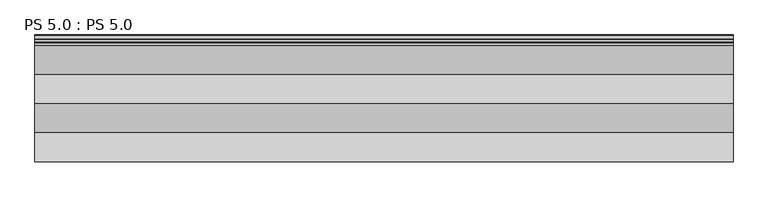
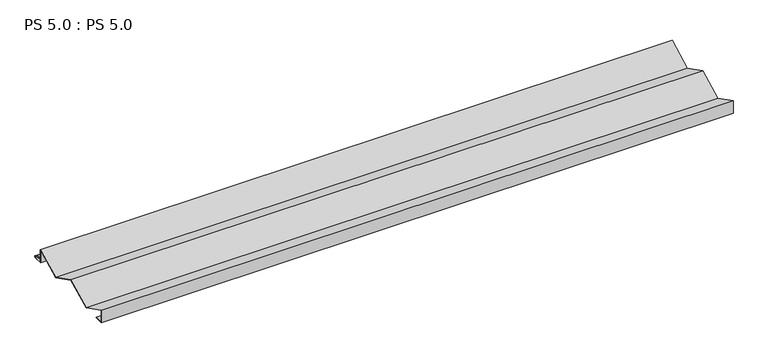
"""IFC4 building model written with IfcOpenShell, lengths in millimetres: proxy geometry, PS 5.0 : PS 5.0."""

from ifc_helpers import new_model, si_unit, point, frame, frame_2d, origin, place, context, project, spatial, polyline, circle_curve, trimmed, segment, composite_curve, outline, extrude, source, transform, mapped, element, save


def ps_5_0_ps_5_0_4fac968d(model_context):
    return source(origin(), model_context, "Body", "SweptSolid", [
        extrude(outline(composite_curve([segment(polyline([(0.0, 0.0), (0.0, 38.0), (75.0, 0.0), (150.0, 38.0), (224.9983223, 0.0), (299.9966446, 38.0), (299.9966446, 0.0), (325.0510156, 0.0)]), True, "CONTINUOUS"), segment(trimmed(circle_curve(frame_2d((324.3094696, 1.9153551)), 2.0538928), [point((325.0510156, 0.0))], [point((325.1748462, 3.778041))], True, "CARTESIAN"), True, "CONTINUOUS"), segment(polyline([(325.1748462, 3.778041), (308.7874714, 6.923107)]), True, "CONTINUOUS"), segment(trimmed(circle_curve(frame_2d((309.4078886, 8.6005442)), 1.7884947), [point((308.7874714, 6.923107))], [point((308.9525789, 10.3301125))], False, "CARTESIAN"), True, "CONTINUOUS"), segment(polyline([(308.9525789, 10.3301125), (316.459338, 11.6715995), (316.635255, 10.6871945), (309.1762081, 9.3542338)]), True, "CONTINUOUS"), segment(trimmed(circle_curve(frame_2d((309.4078886, 8.6005442)), 0.7884947), [point((309.1762081, 9.3542338))], [point((309.0735117, 7.8864603))], True, "CARTESIAN"), True, "CONTINUOUS"), segment(polyline([(309.0735117, 7.8864603), (325.4722719, 4.7392091)]), True, "CONTINUOUS"), segment(trimmed(circle_curve(frame_2d((324.3094696, 1.9153551)), 3.0538928), [point((325.4722719, 4.7392091))], [point((325.2188462, -1.0))], False, "CARTESIAN"), True, "CONTINUOUS"), segment(polyline([(325.2188462, -1.0), (298.9966446, -1.0), (298.9966446, 36.3722856), (224.9983223, -1.1210364), (149.9999949, 36.8789662), (75.0, -1.1210313), (1.0, 36.3723021), (1.0, 1.0), (25.0, 1.0), (25.0, 0.0), (0.0, 0.0)]), True, "CONTINUOUS")], self_intersect=False)), frame((0.0, 0.0, 0.0), z_axis=(1.0, 0.0, 0.0), x_axis=(0.0, 1.0, 0.0)), (0.0, 0.0, 1.0), 1800.0),
    ])


if __name__ == "__main__":
    model = new_model("IFC4")
    model_context = context("Model", 3, world=origin())
    ifc_project = project(units=[si_unit("LENGTHUNIT", "METRE", prefix="MILLI")], contexts=[model_context])
    site = spatial("IfcSite", under=ifc_project)
    building = spatial("IfcBuilding", under=site)
    placement = place(None, origin())
    ps_5_0_ps_5_0_shape = ps_5_0_ps_5_0_4fac968d(model_context)
    element("IfcBuildingElementProxy", 1, Name="PS 5.0 : PS 5.0", ObjectType="PS 5.0 : PS 5.0", at=placement, inside=building, context=model_context, shape_type="MappedRepresentation", body=[
        mapped(ps_5_0_ps_5_0_shape, transform((0.0, 0.0, 0.0), x_axis=(1.0, 0.0, 0.0), y_axis=(0.0, 1.0, 0.0), z_axis=(0.0, 0.0, 1.0))),
    ])
    save(model, "model.ifc")
